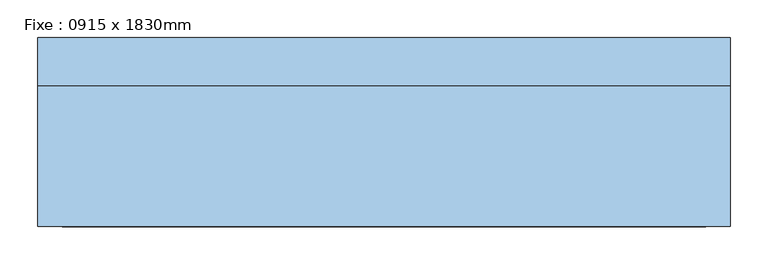
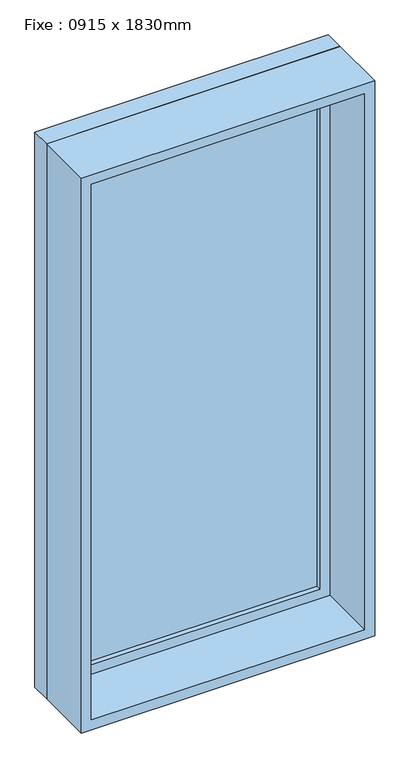
"""IFC4 building model written with IfcOpenShell, lengths in millimetres: window geometry, Fixe : 0915 x 1830mm."""

from ifc_helpers import new_model, si_unit, frame, origin, place, context, project, spatial, polyline, outline, extrude, source, transform, mapped, element, save


def fixe_0915_x_1830mm_503a0ada(model_context):
    return source(origin(), model_context, "Body", "SweptSolid", [
        extrude(outline(polyline([(-394.5, 103.0), (394.5, 103.0), (394.5, 91.0), (-394.5, 91.0), (-394.5, 103.0)])), frame((0.0, 0.0, 368.0), z_axis=(0.0, 0.0, 1.0), x_axis=(1.0, 0.0, 0.0)), (0.0, 0.0, 1.0), 1704.0),
        extrude(outline(polyline([(2116.0, -438.5), (324.0, -438.5), (324.0, 438.5), (2116.0, 438.5), (2116.0, -438.5)]), holes=[polyline([(2072.0, -394.5), (2072.0, 394.5), (368.0, 394.5), (368.0, -394.5), (2072.0, -394.5)])]), frame((0.0, 75.0, 0.0), z_axis=(0.0, 1.0, 0.0), x_axis=(0.0, 0.0, 1.0)), (0.0, 0.0, 1.0), 44.0),
        extrude(outline(polyline([(2135.0, -457.5), (305.0, -457.5), (305.0, 457.5), (2135.0, 457.5), (2135.0, -457.5)]), holes=[polyline([(2116.0, -438.5), (2116.0, 438.5), (324.0, 438.5), (324.0, -438.5), (2116.0, -438.5)])]), frame((0.0, 75.0, 0.0), z_axis=(0.0, 1.0, 0.0), x_axis=(0.0, 0.0, 1.0)), (0.0, 0.0, 1.0), 63.0),
        extrude(outline(polyline([(2135.0, -457.5), (305.0, -457.5), (305.0, 457.5), (2135.0, 457.5), (2135.0, -457.5)]), holes=[polyline([(2103.0, -425.5), (2103.0, 425.5), (337.0, 425.5), (337.0, -425.5), (2103.0, -425.5)])]), frame((0.0, -112.0, 0.0), z_axis=(0.0, 1.0, 0.0), x_axis=(0.0, 0.0, 1.0)), (0.0, 0.0, 1.0), 187.0),
    ])


if __name__ == "__main__":
    model = new_model("IFC4")
    model_context = context("Model", 3, world=origin())
    ifc_project = project(units=[si_unit("LENGTHUNIT", "METRE", prefix="MILLI")], contexts=[model_context])
    site = spatial("IfcSite", under=ifc_project)
    building = spatial("IfcBuilding", under=site)
    placement = place(None, origin())
    fixe_0915_x_1830mm_shape = fixe_0915_x_1830mm_503a0ada(model_context)
    element("IfcWindow", 1, ObjectType="Fixe : 0915 x 1830mm", at=placement, inside=building, context=model_context, shape_type="MappedRepresentation", body=[
        mapped(fixe_0915_x_1830mm_shape, transform((0.0, 0.0, 0.0), x_axis=(1.0, 0.0, 0.0), y_axis=(0.0, 1.0, 0.0), z_axis=(0.0, 0.0, 1.0))),
    ])
    save(model, "model.ifc")
